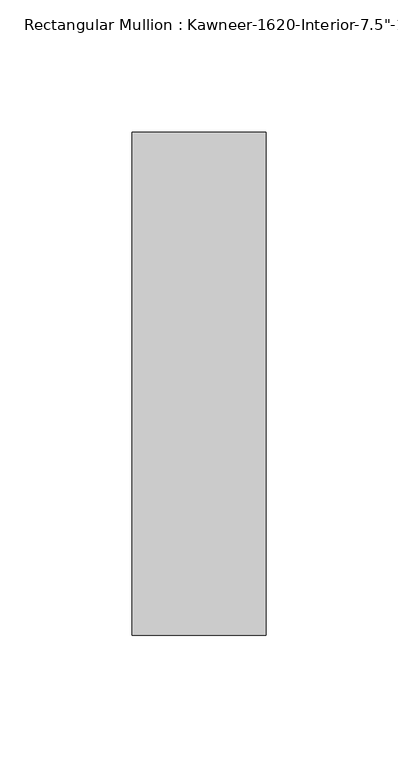
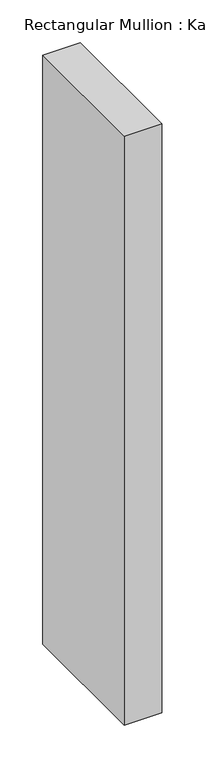
"""IFC4 building model written with IfcOpenShell, lengths in millimetres: member geometry."""

from ifc_helpers import new_model, si_unit, frame, origin, place, context, project, spatial, polyline, outline, extrude, source, transform, mapped, element, save


def member_6d334fb0(model_context):
    return source(origin(), model_context, "Body", "SweptSolid", [
        extrude(outline(polyline([(25.4, -161.925), (-25.4, -161.925), (-25.4, 28.575), (25.4, 28.575), (25.4, -161.925)])), frame((0.0, 0.0, -841.375), z_axis=(0.0, 0.0, 1.0), x_axis=(1.0, 0.0, 0.0)), (0.0, 0.0, 1.0), 841.375),
    ])


if __name__ == "__main__":
    model = new_model("IFC4")
    model_context = context("Model", 3, world=origin())
    ifc_project = project(units=[si_unit("LENGTHUNIT", "METRE", prefix="MILLI")], contexts=[model_context])
    site = spatial("IfcSite", under=ifc_project)
    building = spatial("IfcBuilding", under=site)
    placement = place(None, origin())
    member_shape = member_6d334fb0(model_context)
    element("IfcMember", 1, ObjectType="Rectangular Mullion : Kawneer-1620-Interior-7.5\"-1/4\"Infill", at=placement, inside=building, context=model_context, shape_type="MappedRepresentation", body=[
        mapped(member_shape, transform((0.0, 0.0, 0.0), x_axis=(1.0, 0.0, 0.0), y_axis=(0.0, 1.0, 0.0), z_axis=(0.0, 0.0, 1.0))),
    ])
    save(model, "model.ifc")
